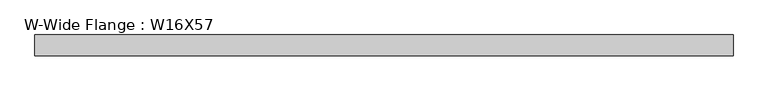
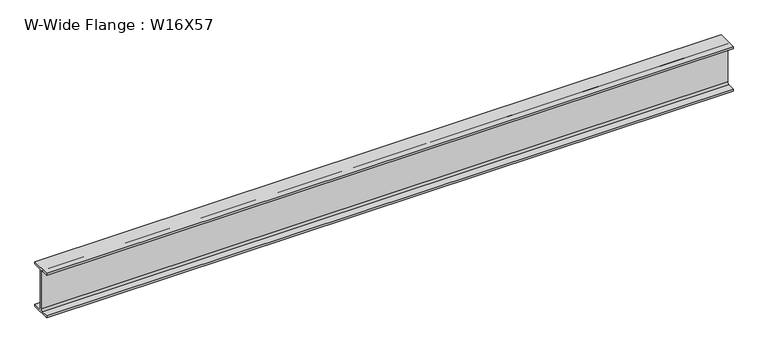
"""IFC4 building model written with IfcOpenShell, lengths in millimetres: beam geometry, W-Wide Flange : W16X57."""

from ifc_helpers import new_model, si_unit, point, frame, frame_2d, origin, place, context, project, spatial, polyline, circle_curve, trimmed, segment, composite_curve, outline, extrude, source, transform, mapped, element, save


def w_wide_flange_w16x57_107d1cdd(model_context):
    return source(origin(), model_context, "Body", "SweptSolid", [
        extrude(outline(composite_curve([segment(polyline([(90.4, -190.1), (90.4, -208.3), (-90.4, -208.3), (-90.4, -190.1), (-22.15, -190.1)]), True, "CONTINUOUS"), segment(trimmed(circle_curve(frame_2d((-22.15, -173.4)), 16.7), [point((-22.15, -190.1))], [point((-5.45, -173.4))], True, "CARTESIAN"), True, "CONTINUOUS"), segment(polyline([(-5.45, -173.4), (-5.45, 173.4)]), True, "CONTINUOUS"), segment(trimmed(circle_curve(frame_2d((-22.15, 173.4)), 16.7), [point((-5.45, 173.4))], [point((-22.15, 190.1))], True, "CARTESIAN"), True, "CONTINUOUS"), segment(polyline([(-22.15, 190.1), (-90.4, 190.1), (-90.4, 208.3), (90.4, 208.3), (90.4, 190.1), (22.15, 190.1)]), True, "CONTINUOUS"), segment(trimmed(circle_curve(frame_2d((22.15, 173.4)), 16.7), [point((22.15, 190.1))], [point((5.45, 173.4))], True, "CARTESIAN"), True, "CONTINUOUS"), segment(polyline([(5.45, 173.4), (5.45, -173.4)]), True, "CONTINUOUS"), segment(trimmed(circle_curve(frame_2d((22.15, -173.4)), 16.7), [point((5.45, -173.4))], [point((22.15, -190.1))], True, "CARTESIAN"), True, "CONTINUOUS"), segment(polyline([(22.15, -190.1), (90.4, -190.1)]), True, "CONTINUOUS")], self_intersect=False)), frame((-1560.8069601, 0.0, 0.0), z_axis=(1.0, 0.0, 0.0), x_axis=(0.0, 1.0, 0.0)), (0.0, 0.0, 1.0), 6083.1423182),
    ])


if __name__ == "__main__":
    model = new_model("IFC4")
    model_context = context("Model", 3, world=origin())
    ifc_project = project(units=[si_unit("LENGTHUNIT", "METRE", prefix="MILLI")], contexts=[model_context])
    site = spatial("IfcSite", under=ifc_project)
    building = spatial("IfcBuilding", under=site)
    placement = place(None, origin())
    w_wide_flange_w16x57_shape = w_wide_flange_w16x57_107d1cdd(model_context)
    element("IfcBeam", 1, ObjectType="W-Wide Flange : W16X57", at=placement, inside=building, context=model_context, shape_type="MappedRepresentation", body=[
        mapped(w_wide_flange_w16x57_shape, transform((0.0, 0.0, 0.0), x_axis=(1.0, 0.0, 0.0), y_axis=(0.0, 1.0, 0.0), z_axis=(0.0, 0.0, 1.0))),
    ])
    save(model, "model.ifc")
